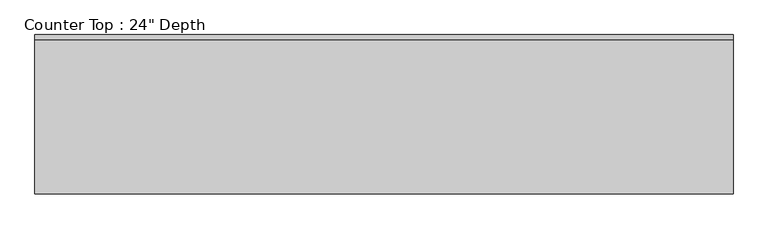
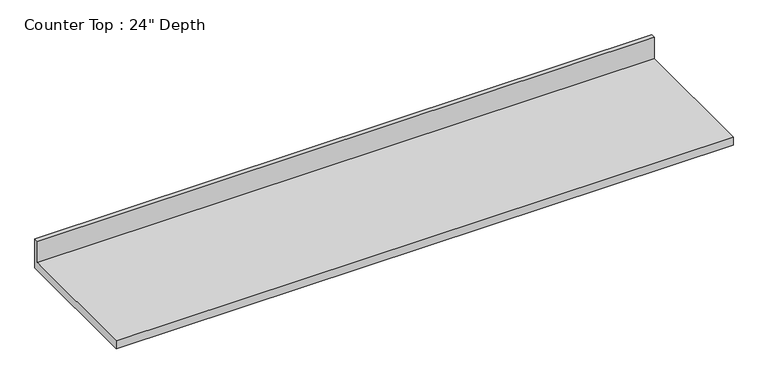
"""IFC4 building model written with IfcOpenShell, lengths in millimetres: furniture geometry."""

from ifc_helpers import new_model, si_unit, frame, origin, place, context, project, spatial, polyline, outline, extrude, source, transform, mapped, element, save


def furniture_9de4684c(model_context):
    return source(origin(), model_context, "Body", "SweptSolid", [
        extrude(outline(polyline([(0.0, 1016.0), (0.0, 876.3), (-635.0, 876.3), (-635.0, 914.4), (-19.05, 914.4), (-19.05, 1016.0), (0.0, 1016.0)])), frame((-1200.4622951, 0.0, 0.0), z_axis=(1.0, 0.0, 0.0), x_axis=(0.0, 1.0, 0.0)), (0.0, 0.0, 1.0), 2781.2062586),
    ])


if __name__ == "__main__":
    model = new_model("IFC4")
    model_context = context("Model", 3, world=origin())
    ifc_project = project(units=[si_unit("LENGTHUNIT", "METRE", prefix="MILLI")], contexts=[model_context])
    site = spatial("IfcSite", under=ifc_project)
    building = spatial("IfcBuilding", under=site)
    placement = place(None, origin())
    furniture_shape = furniture_9de4684c(model_context)
    element("IfcFurniture", 1, ObjectType="Counter Top : 24\" Depth", at=placement, inside=building, context=model_context, shape_type="MappedRepresentation", body=[
        mapped(furniture_shape, transform((0.0, 0.0, 0.0), x_axis=(1.0, 0.0, 0.0), y_axis=(0.0, 1.0, 0.0), z_axis=(0.0, 0.0, 1.0))),
    ])
    save(model, "model.ifc")
